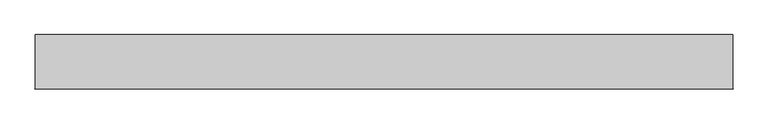
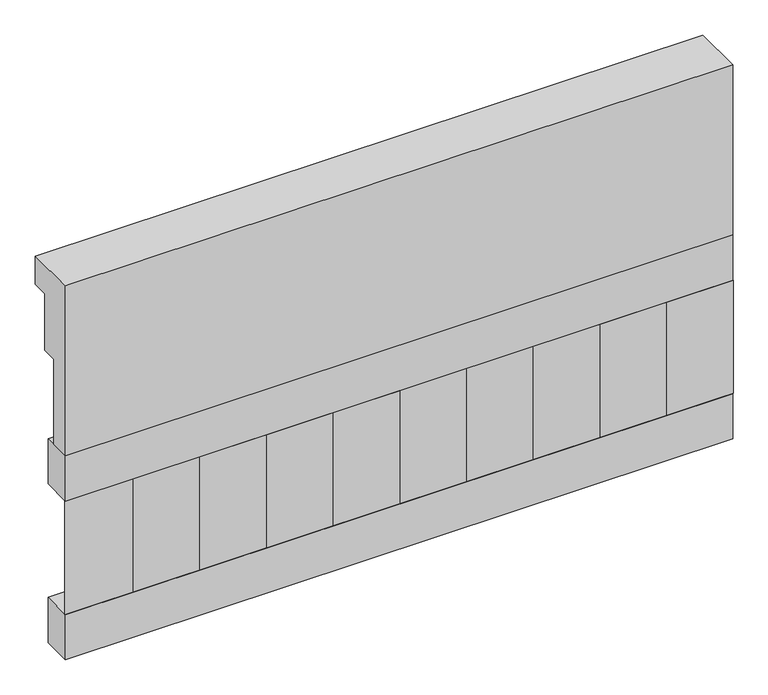
"""IFC4 building model written with IfcOpenShell, lengths in millimetres: railing geometry."""

from ifc_helpers import new_model, si_unit, frame, origin, place, context, project, spatial, polyline, outline, extrude, source, transform, mapped, element, save


def railing_65194451(model_context):
    return source(origin(), model_context, "Body", "SweptSolid", [
        extrude(outline(polyline([(903.1079487, 15200.0), (1033.1079487, 15200.0), (1033.1079487, 15125.0), (993.1079487, 15125.0), (993.1079487, 14975.0), (953.1079487, 14975.0), (953.1079487, 14750.0), (903.1079487, 14750.0), (903.1079487, 15200.0)])), frame((33090.0112841, 0.0, 0.0), z_axis=(1.0, 0.0, 0.0), x_axis=(0.0, 1.0, 0.0)), (0.0, 0.0, 1.0), 1670.0),
        extrude(outline(polyline([(34760.0112841, 978.1079487), (34760.0112841, 903.1079487), (33090.0112841, 903.1079487), (33090.0112841, 978.1079487), (34760.0112841, 978.1079487)])), frame((0.0, 0.0, 14630.0), z_axis=(0.0, 0.0, 1.0), x_axis=(1.0, 0.0, 0.0)), (0.0, 0.0, 1.0), 120.0),
        extrude(outline(polyline([(34760.0112841, 978.1079487), (34760.0112841, 903.1079487), (33090.0112841, 903.1079487), (33090.0112841, 978.1079487), (34760.0112841, 978.1079487)])), frame((0.0, 0.0, 14210.0), z_axis=(0.0, 0.0, 1.0), x_axis=(1.0, 0.0, 0.0)), (0.0, 0.0, 1.0), 120.0),
        extrude(outline(polyline([(33173.5112841, 987.9607624), (33258.3640978, 903.1079487), (33088.6584704, 903.1079487), (33173.5112841, 987.9607624)])), frame((0.0, 0.0, 14330.0), z_axis=(0.0, 0.0, 1.0), x_axis=(1.0, 0.0, 0.0)), (0.0, 0.0, 1.0), 300.0),
        extrude(outline(polyline([(33340.5112841, 987.9607624), (33425.3640978, 903.1079487), (33255.6584704, 903.1079487), (33340.5112841, 987.9607624)])), frame((0.0, 0.0, 14330.0), z_axis=(0.0, 0.0, 1.0), x_axis=(1.0, 0.0, 0.0)), (0.0, 0.0, 1.0), 300.0),
        extrude(outline(polyline([(33507.5112841, 987.9607624), (33592.3640978, 903.1079487), (33422.6584704, 903.1079487), (33507.5112841, 987.9607624)])), frame((0.0, 0.0, 14330.0), z_axis=(0.0, 0.0, 1.0), x_axis=(1.0, 0.0, 0.0)), (0.0, 0.0, 1.0), 300.0),
        extrude(outline(polyline([(33674.5112841, 987.9607624), (33759.3640978, 903.1079487), (33589.6584704, 903.1079487), (33674.5112841, 987.9607624)])), frame((0.0, 0.0, 14330.0), z_axis=(0.0, 0.0, 1.0), x_axis=(1.0, 0.0, 0.0)), (0.0, 0.0, 1.0), 300.0),
        extrude(outline(polyline([(33841.5112841, 987.9607624), (33926.3640978, 903.1079487), (33756.6584704, 903.1079487), (33841.5112841, 987.9607624)])), frame((0.0, 0.0, 14330.0), z_axis=(0.0, 0.0, 1.0), x_axis=(1.0, 0.0, 0.0)), (0.0, 0.0, 1.0), 300.0),
        extrude(outline(polyline([(34008.5112841, 987.9607624), (34093.3640978, 903.1079487), (33923.6584704, 903.1079487), (34008.5112841, 987.9607624)])), frame((0.0, 0.0, 14330.0), z_axis=(0.0, 0.0, 1.0), x_axis=(1.0, 0.0, 0.0)), (0.0, 0.0, 1.0), 300.0),
        extrude(outline(polyline([(34175.5112841, 987.9607624), (34260.3640978, 903.1079487), (34090.6584704, 903.1079487), (34175.5112841, 987.9607624)])), frame((0.0, 0.0, 14330.0), z_axis=(0.0, 0.0, 1.0), x_axis=(1.0, 0.0, 0.0)), (0.0, 0.0, 1.0), 300.0),
        extrude(outline(polyline([(34342.5112841, 987.9607624), (34427.3640978, 903.1079487), (34257.6584704, 903.1079487), (34342.5112841, 987.9607624)])), frame((0.0, 0.0, 14330.0), z_axis=(0.0, 0.0, 1.0), x_axis=(1.0, 0.0, 0.0)), (0.0, 0.0, 1.0), 300.0),
        extrude(outline(polyline([(34509.5112841, 987.9607624), (34594.3640978, 903.1079487), (34424.6584704, 903.1079487), (34509.5112841, 987.9607624)])), frame((0.0, 0.0, 14330.0), z_axis=(0.0, 0.0, 1.0), x_axis=(1.0, 0.0, 0.0)), (0.0, 0.0, 1.0), 300.0),
        extrude(outline(polyline([(34676.5112841, 987.9607624), (34761.3640978, 903.1079487), (34591.6584704, 903.1079487), (34676.5112841, 987.9607624)])), frame((0.0, 0.0, 14330.0), z_axis=(0.0, 0.0, 1.0), x_axis=(1.0, 0.0, 0.0)), (0.0, 0.0, 1.0), 300.0),
    ])


if __name__ == "__main__":
    model = new_model("IFC4")
    model_context = context("Model", 3, world=origin())
    ifc_project = project(units=[si_unit("LENGTHUNIT", "METRE", prefix="MILLI")], contexts=[model_context])
    site = spatial("IfcSite", under=ifc_project)
    building = spatial("IfcBuilding", under=site)
    placement = place(None, origin())
    railing_shape = railing_65194451(model_context)
    element("IfcRailing", 1, at=placement, inside=building, context=model_context, shape_type="MappedRepresentation", body=[
        mapped(railing_shape, transform((0.0, 0.0, 0.0), x_axis=(1.0, 0.0, 0.0), y_axis=(0.0, 1.0, 0.0), z_axis=(0.0, 0.0, 1.0))),
    ])
    save(model, "model.ifc")
